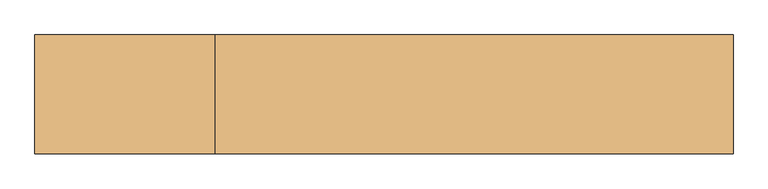
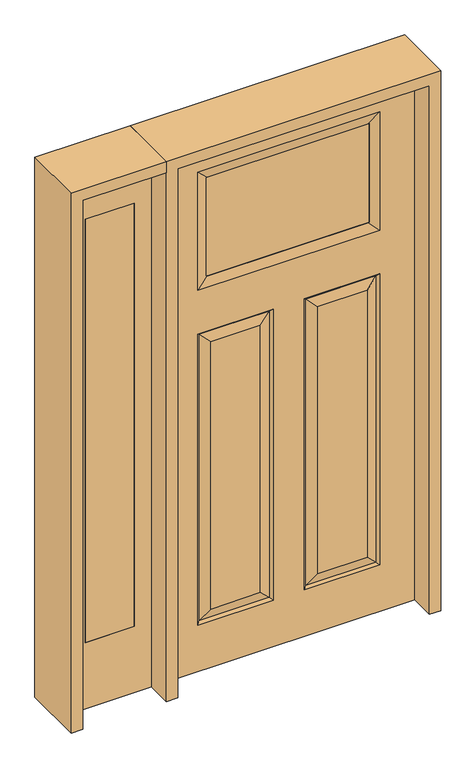
"""IFC4 building model written with IfcOpenShell, lengths in millimetres: door geometry."""

from ifc_helpers import new_model, si_unit, frame, origin, place, context, project, spatial, polyline, outline, extrude, faceted_brep, source, transform, mapped, element, save


def door_640178ad(model_context):
    return source(origin(), model_context, "Body", "SolidModel", [
        extrude(outline(polyline([(-561.975, -20.6375), (-739.775, -20.6375), (-739.775, 20.6375), (-561.975, 20.6375), (-561.975, -20.6375)])), frame((0.0, 0.0, 254.0), z_axis=(0.0, 0.0, 1.0), x_axis=(1.0, 0.0, 0.0)), (0.0, 0.0, 1.0), 1625.6),
        extrude(outline(polyline([(0.0, -803.275), (0.0, -498.475), (2032.0, -498.475), (2032.0, -803.275), (0.0, -803.275)]), holes=[polyline([(1879.6, -561.975), (254.0, -561.975), (254.0, -739.775), (1879.6, -739.775), (1879.6, -561.975)])]), frame((0.0, -20.6375, 0.0), z_axis=(0.0, 1.0, 0.0), x_axis=(0.0, 0.0, 1.0)), (0.0, 0.0, 1.0), 41.275),
        faceted_brep([(-457.2, -20.6375, 2032.0), (-457.2, 20.6375, 2032.0), (-457.2, 20.6375, 0.0), (-457.2, -20.6375, 0.0), (284.2895, 20.6375, 1249.4895), (284.2895, 20.6375, 223.7105), (103.0605, 20.6375, 223.7105), (103.0605, 20.6375, 1249.4895), (-284.2895, 20.6375, 223.7105), (-284.2895, 20.6375, 1249.4895), (-103.0605, 20.6375, 1249.4895), (-103.0605, 20.6375, 223.7105), (457.2, 20.6375, 2032.0), (457.2, 20.6375, 0.0), (330.327, 20.6375, 177.673), (330.327, 20.6375, 1295.527), (57.023, 20.6375, 1295.527), (57.023, 20.6375, 177.673), (-330.3984375, 20.6375, 1463.5757812), (330.3984375, 20.6375, 1463.5757812), (330.3984375, 20.6375, 1917.8984375), (-330.3984375, 20.6375, 1917.8984375), (-330.327, 20.6375, 1295.527), (-330.327, 20.6375, 177.673), (-57.023, 20.6375, 177.673), (-57.023, 20.6375, 1295.527), (-321.3467439, 11.6572439, 1286.5467439), (-321.3467439, 11.6572439, 186.6532561), (-66.0032561, 11.6572439, 186.6532561), (66.0032561, -11.6572439, 186.6532561), (103.0605, -20.6375, 223.7105), (103.0605, -20.6375, 1249.4895), (66.0032561, -11.6572439, 1286.5467439), (-103.0605, -20.6375, 223.7105), (-66.0032561, -11.6572439, 186.6532561), (-66.0032561, -11.6572439, 1286.5467439), (-103.0605, -20.6375, 1249.4895), (-321.3467439, -11.6572439, 186.6532561), (-330.327, -20.6375, 177.673), (-57.023, -20.6375, 177.673), (-330.3984375, -20.6375, 1463.5757812), (-293.3411936, -11.6572439, 1500.6330251), (-296.5161936, -12.4266566, 1500.584375), (-296.5161936, -12.4266566, 1880.8898438), (-293.3411936, -11.6572439, 1880.8898438), (-330.3984375, -20.6375, 1917.8984375), (293.3411936, -11.6572439, 1500.6330251), (330.3984375, -20.6375, 1463.5757812), (330.3984375, -20.6375, 1917.8984375), (293.3411936, -11.6572439, 1880.8411936), (296.5161936, -12.4266566, 1880.8898438), (296.5161936, -12.4266566, 1500.584375), (321.3467439, -11.6572439, 1286.5467439), (330.327, -20.6375, 1295.527), (57.023, -20.6375, 1295.527), (296.5161936, 12.4266566, 1880.8898438), (-296.5161936, 12.4266566, 1880.8898438), (-293.3411936, 11.6572439, 1880.8898438), (293.3411936, 11.6690335, 1880.8898438), (457.2, -20.6375, 0.0), (457.2, -20.6375, 2032.0), (284.2895, -20.6375, 223.7105), (284.2895, -20.6375, 1249.4895), (-284.2895, -20.6375, 1249.4895), (-284.2895, -20.6375, 223.7105), (-330.327, -20.6375, 1295.527), (-57.023, -20.6375, 1295.527), (330.327, -20.6375, 177.673), (57.023, -20.6375, 177.673), (321.3467439, 11.6572439, 186.6532561), (66.0032561, 11.6572439, 186.6532561), (321.3467439, -11.6572439, 186.6532561), (-321.3467439, -11.6572439, 1286.5467439), (293.3411936, 11.6572439, 1500.6330251), (296.5161936, 12.4266566, 1500.584375), (321.3467439, 11.6572439, 1286.5467439), (66.0032561, 11.6572439, 1286.5467439), (-66.0032561, 11.6572439, 1286.5467439), (-293.3411936, 11.6572439, 1500.6330251), (-296.5161936, 12.4266566, 1500.584375)], [[[0, 1, 2, 3]], [[4, 5, 6, 7]], [[8, 9, 10, 11]], [[1, 12, 13, 2], [14, 15, 16, 17], [18, 19, 20, 21], [22, 23, 24, 25]], [[26, 27, 23, 22]], [[27, 26, 9, 8]], [[27, 8, 11, 28]], [[29, 30, 31, 32]], [[33, 34, 35, 36]], [[37, 38, 39, 34]], [[40, 41, 42, 43, 44, 45]], [[46, 47, 48, 49, 50, 51]], [[52, 53, 54, 32]], [[55, 50, 49, 44, 43, 56, 57, 58]], [[47, 46, 41, 40]], [[13, 59, 3, 2]], [[12, 60, 59, 13]], [[61, 62, 31, 30]], [[63, 64, 33, 36]], [[60, 0, 3, 59], [38, 65, 66, 39], [47, 40, 45, 48], [53, 67, 68, 54]], [[12, 1, 0, 60]], [[69, 14, 17, 70]], [[71, 61, 30, 29]], [[68, 29, 32, 54]], [[37, 72, 65, 38]], [[19, 73, 74, 55, 58, 20]], [[14, 69, 75, 15]], [[70, 17, 16, 76]], [[75, 69, 5, 4]], [[5, 69, 70, 6]], [[6, 70, 76, 7]], [[23, 27, 28, 24]], [[24, 28, 77, 25]], [[28, 11, 10, 77]], [[61, 71, 52, 62]], [[52, 71, 67, 53]], [[67, 71, 29, 68]], [[72, 37, 64, 63]], [[64, 37, 34, 33]], [[34, 39, 66, 35]], [[20, 58, 57, 21]], [[78, 18, 21, 57, 56, 79]], [[49, 48, 45, 44]], [[62, 52, 32, 31]], [[15, 75, 76, 16]], [[75, 4, 7, 76]], [[56, 43, 42, 79]], [[79, 42, 41, 46, 51, 74, 73, 78]], [[50, 55, 74, 51]], [[73, 19, 18, 78]], [[72, 63, 36, 35]], [[65, 72, 35, 66]], [[26, 22, 25, 77]], [[9, 26, 77, 10]]]),
        extrude(outline(polyline([(296.5161936, -11.6572439), (-296.5161936, -11.6572439), (-296.5161936, 11.6572439), (296.5161936, 11.6572439), (296.5161936, -11.6572439)])), frame((0.0, 0.0, 1500.584375), z_axis=(0.0, 0.0, 1.0), x_axis=(1.0, 0.0, 0.0)), (0.0, 0.0, 1.0), 380.3054688),
        extrude(outline(polyline([(2032.0, -498.475), (2073.275, -498.475), (2073.275, -844.55), (0.0, -844.55), (0.0, -803.275), (2032.0, -803.275), (2032.0, -498.475)])), frame((0.0, -114.3, 0.0), z_axis=(0.0, 1.0, 0.0), x_axis=(0.0, 0.0, 1.0)), (0.0, 0.0, 1.0), 228.6),
        extrude(outline(polyline([(2073.275, -498.475), (0.0, -498.475), (0.0, -457.2), (2032.0, -457.2), (2032.0, 457.2), (0.0, 457.2), (0.0, 498.475), (2073.275, 498.475), (2073.275, -498.475)])), frame((0.0, -114.3, 0.0), z_axis=(0.0, 1.0, 0.0), x_axis=(0.0, 0.0, 1.0)), (0.0, 0.0, 1.0), 228.6),
    ])


if __name__ == "__main__":
    model = new_model("IFC4")
    model_context = context("Model", 3, world=origin())
    ifc_project = project(units=[si_unit("LENGTHUNIT", "METRE", prefix="MILLI")], contexts=[model_context])
    site = spatial("IfcSite", under=ifc_project)
    building = spatial("IfcBuilding", under=site)
    placement = place(None, origin())
    door_shape = door_640178ad(model_context)
    element("IfcDoor", 1, at=placement, inside=building, context=model_context, shape_type="MappedRepresentation", body=[
        mapped(door_shape, transform((0.0, 0.0, 0.0), x_axis=(1.0, 0.0, 0.0), y_axis=(0.0, 1.0, 0.0), z_axis=(0.0, 0.0, 1.0))),
    ])
    save(model, "model.ifc")
